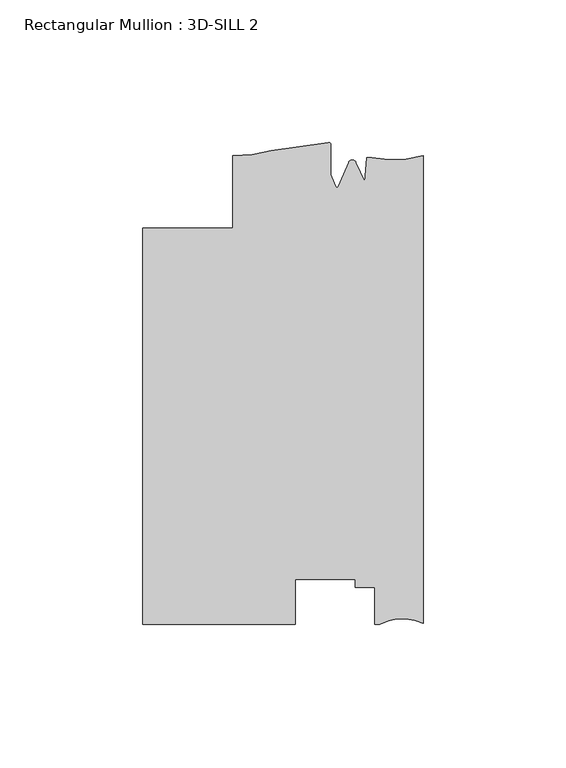
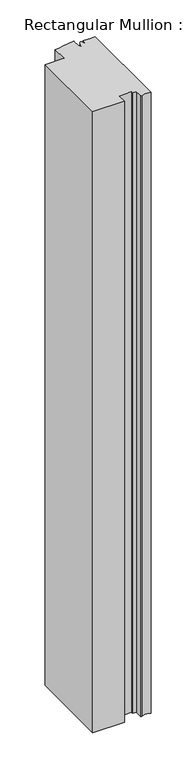
"""IFC4 building model written with IfcOpenShell, lengths in millimetres: member geometry, Rectangular Mullion : 3D-SILL 2."""

from ifc_helpers import new_model, si_unit, frame, origin, place, context, project, spatial, polyline, circle_curve, source, transform, mapped, element, save
from ifc_brep_helpers import plane_surface, cylinder_surface, revolved_surface, advanced_brep


def rectangular_mullion_3d_sill_2_e42b43d5(model_context):
    return source(origin(), model_context, "Body", "AdvancedBrep", [
        advanced_brep(
        [(-98.425, 56.896, 0.0), (-98.425, -82.296, 0.0), (-44.8099503, -82.296, 0.0), (-44.8099503, -66.3975955, 0.0), (-23.8633011, -66.3975955, 0.0), (-23.8633011, -69.2522008, 0.0), (-17.0053014, -69.2522008, 0.0), (-17.0053014, -82.296, 0.0), (-15.1680895, -82.296, 0.0), (0.0, -81.915, 0.0), (0.0, 82.296, 0.0), (-18.0334985, 81.5392621, 0.0), (-19.8211861, 81.6499282, 0.0), (-20.3867288, 73.2506089, 0.0), (-23.5593147, 79.9446564, 0.0), (-26.1362138, 79.9446564, 0.0), (-29.8075652, 71.5280889, 0.0), (-30.5559634, 71.5280889, 0.0), (-32.384137, 75.7191742, 0.0), (-32.384137, 86.2094594, 0.0), (-33.3130099, 86.9529629, 0.0), (-53.2924277, 84.1119632, 0.0), (-66.6751132, 82.296, 0.0), (-66.6751132, 56.8966464, 0.0), (-98.425, 56.896, -1104.6831251), (-66.6751132, 56.8966464, -1104.6831251), (-66.6751132, 82.296, -1104.6831251), (-53.2924277, 84.1119632, -1104.6831251), (-33.3138356, 86.9527771, -1104.6831251), (-32.384137, 86.2094594, -1104.6831251), (-32.384137, 75.7191742, -1104.6831251), (-30.5559634, 71.5280889, -1104.6831251), (-29.8075652, 71.5280889, -1104.6831251), (-26.1362138, 79.9446564, -1104.6831251), (-23.5593147, 79.9446564, -1104.6831251), (-20.3867288, 73.2506089, -1104.6831251), (-19.8211861, 81.6499282, -1104.6831251), (-18.0334985, 81.5392621, -1104.6831251), (0.0, 82.296, -1104.6831251), (0.0, -81.915, -1104.6831251), (-15.1680895, -82.296, -1104.6831251), (-17.0053014, -82.296, -1104.6831251), (-17.0053014, -69.2522008, -1104.6831251), (-23.8633011, -69.2522008, -1104.6831251), (-23.8633011, -66.3975955, -1104.6831251), (-44.8099503, -66.3975955, -1104.6831251), (-44.8099503, -82.296, -1104.6831251), (-98.425, -82.296, -1104.6831251)],
        [
            (0, 1),
            (1, 2),
            (2, 3),
            (3, 4),
            (4, 5),
            (5, 6),
            (6, 7),
            (7, 8),
            (8, 9, circle_curve(frame((-7.2326507, -96.0949391, 0.0), z_axis=(0.0, 0.0, -1.0), x_axis=(0.0, -1.0, 0.0)), 15.9179744)),
            (9, 10),
            (10, 11, circle_curve(frame((-10.6264113, 120.2768025, 0.0), z_axis=(0.0, 0.0, -1.0), x_axis=(0.0, -1.0, 0.0)), 39.4393455)),
            (11, 12),
            (12, 13),
            (13, 14),
            (14, 15, circle_curve(frame((-24.8477643, 79.4047428, 0.0), z_axis=(0.0, 0.0, 1.0), x_axis=(-0.9222974554240703, 0.38648079346622805, 0.0)), 1.397)),
            (15, 16),
            (16, 17, circle_curve(frame((-30.1817643, 71.4564228, 0.0), z_axis=(0.0, 0.0, -1.0), x_axis=(-0.9821498950386456, 0.1880999300254456, 0.0)), 0.381)),
            (17, 18),
            (18, 19),
            (19, 20, circle_curve(frame((-33.146137, 86.2094594, 0.0), z_axis=(0.0, 0.0, 1.0), x_axis=(1.0, 0.0, 0.0)), 0.762)),
            (20, 21, circle_curve(frame((-61.125498, 210.871727, 0.0), z_axis=(0.0, 0.0, -1.0), x_axis=(0.2189867881896227, -0.9757278240361876, 0.0)), 127.0015539)),
            (21, 22, circle_curve(frame((-65.8289407, 126.2797855, 0.0), z_axis=(0.0, 0.0, -1.0), x_axis=(0.0, -1.0, 0.0)), 43.9919242)),
            (22, 23),
            (23, 0),
            (24, 25),
            (25, 26),
            (26, 27, circle_curve(frame((-65.8289407, 126.2797855, -1104.6831251), z_axis=(0.0, 0.0, 1.0), x_axis=(0.0, -1.0, 0.0)), 43.9919242)),
            (27, 28, circle_curve(frame((-61.125498, 210.871727, -1104.6831251), z_axis=(0.0, 0.0, 1.0), x_axis=(0.2189867881896227, -0.9757278240361876, 0.0)), 127.0015539)),
            (28, 29, circle_curve(frame((-33.146137, 86.2094594, -1104.6831251), z_axis=(0.0, 0.0, -1.0), x_axis=(1.0, 0.0, 0.0)), 0.762)),
            (29, 30),
            (30, 31),
            (31, 32, circle_curve(frame((-30.1817643, 71.4564228, -1104.6831251), z_axis=(0.0, 0.0, 1.0), x_axis=(-0.9821498950386456, 0.1880999300254456, 0.0)), 0.381)),
            (32, 33),
            (33, 34, circle_curve(frame((-24.8477643, 79.4047428, -1104.6831251), z_axis=(0.0, 0.0, -1.0), x_axis=(-0.9222974554240703, 0.38648079346622805, 0.0)), 1.397)),
            (34, 35),
            (35, 36),
            (36, 37),
            (37, 38, circle_curve(frame((-10.6264113, 120.2768025, -1104.6831251), z_axis=(0.0, 0.0, 1.0), x_axis=(0.0, -1.0, 0.0)), 39.4393455)),
            (38, 39),
            (39, 40, circle_curve(frame((-7.2326507, -96.0949391, -1104.6831251), z_axis=(0.0, 0.0, 1.0), x_axis=(0.0, -1.0, 0.0)), 15.9179744)),
            (40, 41),
            (41, 42),
            (42, 43),
            (43, 44),
            (44, 45),
            (45, 46),
            (46, 47),
            (47, 24),
            (0, 24),
            (47, 1),
            (46, 2),
            (45, 3),
            (44, 4),
            (43, 5),
            (42, 6),
            (41, 7),
            (40, 8),
            (39, 9),
            (38, 10),
            (37, 11),
            (36, 12),
            (35, 13),
            (34, 14),
            (33, 15),
            (32, 16),
            (31, 17),
            (30, 18),
            (29, 19),
            (28, 20),
            (27, 21),
            (26, 22),
            (25, 23),
        ],
        [
            plane_surface(frame((0.0, -128.2969689, 0.0), z_axis=(0.0, 0.0, 1.0), x_axis=(-1.0, 0.0, 0.0))),
            plane_surface(frame((0.0, -128.2969689, -1104.6831251), z_axis=(0.0, 0.0, -1.0), x_axis=(-1.0, 0.0, 0.0))),
            plane_surface(frame((-98.425, 56.896, 0.0), z_axis=(-1.0, 0.0, 0.0), x_axis=(0.0, 0.0, -1.0))),
            plane_surface(frame((-98.425, -82.296, 0.0), z_axis=(0.0, -1.0, 0.0), x_axis=(0.0, 0.0, -1.0))),
            plane_surface(frame((-44.8099503, -82.296, 0.0), z_axis=(1.0, 0.0, 0.0), x_axis=(0.0, 0.0, -1.0))),
            plane_surface(frame((-44.8099503, -66.3975955, 0.0), z_axis=(0.0, -1.0, 0.0), x_axis=(0.0, 0.0, -1.0))),
            plane_surface(frame((-23.8633011, -66.3975955, 0.0), z_axis=(-1.0, 0.0, 0.0), x_axis=(0.0, 0.0, -1.0))),
            plane_surface(frame((-23.8633011, -69.2522008, 0.0), z_axis=(0.0, -1.0, 0.0), x_axis=(0.0, 0.0, -1.0))),
            plane_surface(frame((-17.0053014, -69.2522008, 0.0), z_axis=(-1.0, 0.0, 0.0), x_axis=(0.0, 0.0, -1.0))),
            plane_surface(frame((-17.0053014, -82.296, 0.0), z_axis=(0.0, -1.0, 0.0), x_axis=(0.0, 0.0, -1.0))),
            revolved_surface(polyline([(-7.2326507, -112.01291350000001, -1104.6831251), (-7.2326507, -112.01291350000001, 0.0)]), (-7.2326507, -96.0949391, 0.0), (0.0, 0.0, -1.0)),
            plane_surface(frame((0.0, -81.915, 0.0), z_axis=(1.0, 0.0, 0.0), x_axis=(0.0, 0.0, -1.0))),
            revolved_surface(polyline([(-10.6264113, 80.837457, -1104.6831251), (-10.6264113, 80.837457, 0.0)]), (-10.6264113, 120.2768025, 0.0), (0.0, 0.0, -1.0)),
            plane_surface(frame((-18.0334985, 81.5392621, 0.0), z_axis=(0.0617863276188998, 0.9980893996628609, 0.0), x_axis=(0.0, 0.0, -1.0))),
            plane_surface(frame((-19.8211861, 81.6499282, 0.0), z_axis=(-0.997740881645106, 0.06717985631159565, 0.0), x_axis=(0.0, 0.0, -1.0))),
            plane_surface(frame((-20.3867288, 73.2506089, 0.0), z_axis=(0.9036479198265283, 0.4282761223710569, 0.0), x_axis=(0.0, 0.0, -1.0))),
            cylinder_surface(frame((-24.8477643, 79.4047428, 0.0), z_axis=(0.0, 0.0, 1.0), x_axis=(-0.9222974554240703, 0.38648079346622805, 0.0)), 1.397),
            plane_surface(frame((-26.1362138, 79.9446564, 0.0), z_axis=(-0.9165925711538568, 0.3998225337641213, 0.0), x_axis=(0.0, 0.0, -1.0))),
            revolved_surface(polyline([(-30.555963410009724, 71.5280888733397, -1104.6831251), (-30.555963410009724, 71.5280888733397, 0.0)]), (-30.1817643, 71.4564228, 0.0), (0.0, 0.0, -1.0)),
            plane_surface(frame((-30.5559634, 71.5280889, 0.0), z_axis=(0.9165925711538717, 0.39982253376408716, 0.0), x_axis=(0.0, 0.0, -1.0))),
            plane_surface(frame((-32.384137, 75.7191742, 0.0), z_axis=(1.0, 0.0, 0.0), x_axis=(0.0, 0.0, -1.0))),
            cylinder_surface(frame((-33.146137, 86.2094594, 0.0), z_axis=(0.0, 0.0, 1.0), x_axis=(1.0, 0.0, 0.0)), 0.762),
            revolved_surface(polyline([(-33.313835616347745, 86.95277716393839, -1104.6831251000006), (-33.313835616347745, 86.95277716393839, 0.0)]), (-61.125498, 210.871727, 0.0), (0.0, 0.0, -1.0000000000000002)),
            revolved_surface(polyline([(-65.8289407, 82.2878613, -1104.6831251), (-65.8289407, 82.2878613, 0.0)]), (-65.8289407, 126.2797855, 0.0), (0.0, 0.0, -1.0)),
            plane_surface(frame((-66.6751132, 82.296, 0.0), z_axis=(-1.0, 0.0, 0.0), x_axis=(0.0, 0.0, -1.0))),
            plane_surface(frame((-66.6751132, 56.8966464, 0.0), z_axis=(-2.0360673595886705e-05, 0.9999999997927215, 0.0), x_axis=(0.0, 0.0, -1.0))),
        ],
        [
            (0, [[1, 2, 3, 4, 5, 6, 7, 8, 9, 10, 11, 12, 13, 14, 15, 16, 17, 18, 19, 20, 21, 22, 23, 24]]),
            (1, [[25, 26, 27, 28, 29, 30, 31, 32, 33, 34, 35, 36, 37, 38, 39, 40, 41, 42, 43, 44, 45, 46, 47, 48]]),
            (2, [[-1, 49, -48, 50]]),
            (3, [[-2, -50, -47, 51]]),
            (4, [[-3, -51, -46, 52]]),
            (5, [[-4, -52, -45, 53]]),
            (6, [[-5, -53, -44, 54]]),
            (7, [[-6, -54, -43, 55]]),
            (8, [[-7, -55, -42, 56]]),
            (9, [[-8, -56, -41, 57]]),
            (10, [[-9, -57, -40, 58]]),
            (11, [[-10, -58, -39, 59]]),
            (12, [[-11, -59, -38, 60]]),
            (13, [[-12, -60, -37, 61]]),
            (14, [[-13, -61, -36, 62]]),
            (15, [[-14, -62, -35, 63]]),
            (16, [[-15, -63, -34, 64]]),
            (17, [[-16, -64, -33, 65]]),
            (18, [[-17, -65, -32, 66]]),
            (19, [[-18, -66, -31, 67]]),
            (20, [[-19, -67, -30, 68]]),
            (21, [[-20, -68, -29, 69]]),
            (22, [[-21, -69, -28, 70]]),
            (23, [[-22, -70, -27, 71]]),
            (24, [[-23, -71, -26, 72]]),
            (25, [[-24, -72, -25, -49]]),
        ],
    ),
    ])


if __name__ == "__main__":
    model = new_model("IFC4")
    model_context = context("Model", 3, world=origin())
    ifc_project = project(units=[si_unit("LENGTHUNIT", "METRE", prefix="MILLI")], contexts=[model_context])
    site = spatial("IfcSite", under=ifc_project)
    building = spatial("IfcBuilding", under=site)
    placement = place(None, origin())
    rectangular_mullion_3d_sill_2_shape = rectangular_mullion_3d_sill_2_e42b43d5(model_context)
    element("IfcMember", 1, ObjectType="Rectangular Mullion : 3D-SILL 2", at=placement, inside=building, context=model_context, shape_type="MappedRepresentation", body=[
        mapped(rectangular_mullion_3d_sill_2_shape, transform((0.0, 0.0, 0.0), x_axis=(1.0, 0.0, 0.0), y_axis=(0.0, 1.0, 0.0), z_axis=(0.0, 0.0, 1.0))),
    ])
    save(model, "model.ifc")
